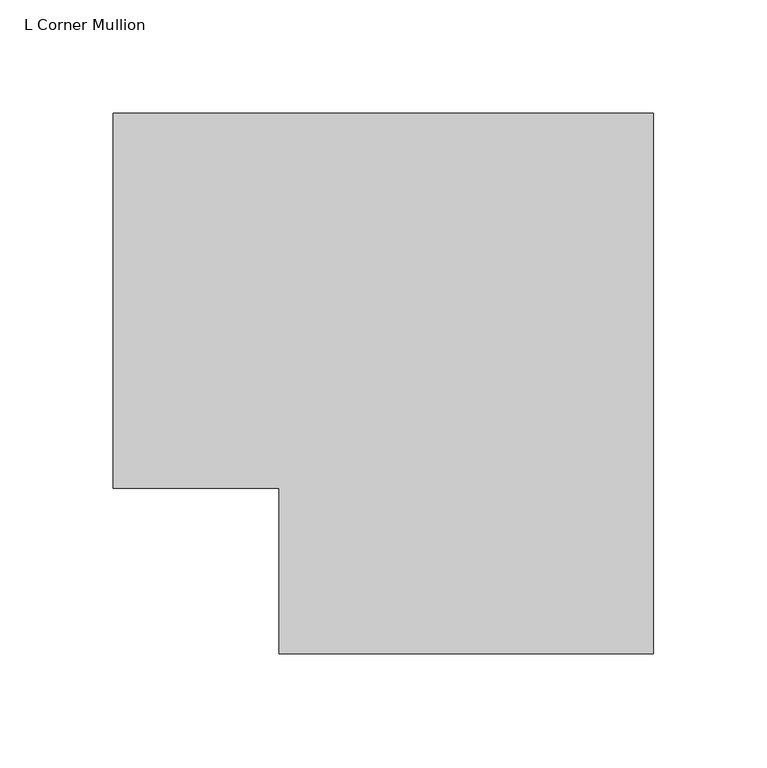
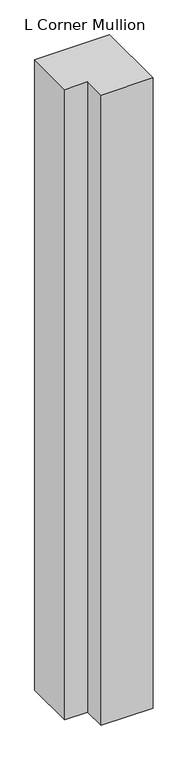
"""IFC4 building model written with IfcOpenShell, lengths in millimetres: member geometry, L Corner Mullion."""

from ifc_helpers import new_model, si_unit, frame, origin, place, context, project, spatial, polyline, outline, extrude, source, transform, mapped, element, save


def l_corner_mullion_649c9fb7(model_context):
    return source(origin(), model_context, "Body", "SweptSolid", [
        extrude(outline(polyline([(-12.7, -85.725), (-12.7, -12.7), (-85.725, -12.7), (-85.725, 152.4), (152.4, 152.4), (152.4, -85.725), (-12.7, -85.725)])), frame((0.0, 0.0, -2113.59299), z_axis=(0.0, 0.0, 1.0), x_axis=(1.0, 0.0, 0.0)), (0.0, 0.0, 1.0), 2113.59299),
    ])


if __name__ == "__main__":
    model = new_model("IFC4")
    model_context = context("Model", 3, world=origin())
    ifc_project = project(units=[si_unit("LENGTHUNIT", "METRE", prefix="MILLI")], contexts=[model_context])
    site = spatial("IfcSite", under=ifc_project)
    building = spatial("IfcBuilding", under=site)
    placement = place(None, origin())
    l_corner_mullion_shape = l_corner_mullion_649c9fb7(model_context)
    element("IfcMember", 1, ObjectType="L Corner Mullion", at=placement, inside=building, context=model_context, shape_type="MappedRepresentation", body=[
        mapped(l_corner_mullion_shape, transform((0.0, 0.0, 0.0), x_axis=(1.0, 0.0, 0.0), y_axis=(0.0, 1.0, 0.0), z_axis=(0.0, 0.0, 1.0))),
    ])
    save(model, "model.ifc")
